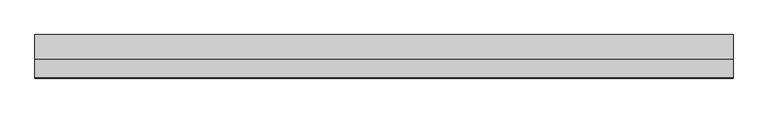
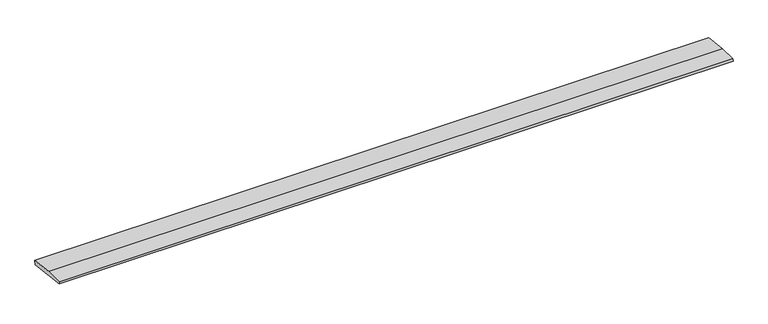
"""IFC4 building model written with IfcOpenShell, lengths in millimetres: beam geometry."""

from ifc_helpers import new_model, si_unit, frame, origin, place, context, project, spatial, polyline, outline, extrude, source, transform, mapped, element, save


def beam_5f6dbec4(model_context):
    return source(origin(), model_context, "Body", "SweptSolid", [
        extrude(outline(polyline([(0.0, -9.143159), (1.1226388, 0.0), (79.0749747, 0.0), (180.9387048, -12.5072934), (178.6231873, -31.3656703), (0.0, -9.143159)])), frame((-1447.1058127, 0.0, 0.0), z_axis=(1.0, 0.0, 0.0), x_axis=(0.0, 1.0, 0.0)), (0.0, 0.0, 1.0), 2894.2116254),
    ])


if __name__ == "__main__":
    model = new_model("IFC4")
    model_context = context("Model", 3, world=origin())
    ifc_project = project(units=[si_unit("LENGTHUNIT", "METRE", prefix="MILLI")], contexts=[model_context])
    site = spatial("IfcSite", under=ifc_project)
    building = spatial("IfcBuilding", under=site)
    placement = place(None, origin())
    beam_shape = beam_5f6dbec4(model_context)
    element("IfcBeam", 1, at=placement, inside=building, context=model_context, shape_type="MappedRepresentation", body=[
        mapped(beam_shape, transform((0.0, 0.0, 0.0), x_axis=(1.0, 0.0, 0.0), y_axis=(0.0, 1.0, 0.0), z_axis=(0.0, 0.0, 1.0))),
    ])
    save(model, "model.ifc")
